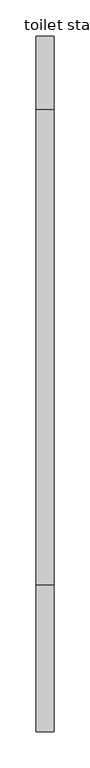
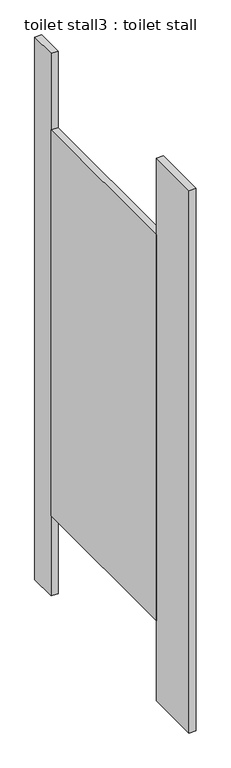
"""IFC4 building model written with IfcOpenShell, lengths in millimetres: proxy geometry, toilet stall3 : toilet stall."""

import ifcopenshell
import ifcopenshell.guid

model = None  # the IFC model being written
_history = None  # IfcOwnerHistory: only IFC2X3 demands one
_inside = {}  # id of a spatial element -> (the spatial element, [elements in it])
_under = {}  # id of a project, library or spatial element -> (it, [spatial elements below it])
_declared = {}  # id of a project -> (the project, [libraries it declares])
_typed = {}  # id of a type object -> (the type object, [elements of that type])
_made_of = {}  # id of a material, layer set ... -> (it, [elements and type objects made of it])


def new_model(schema):
    """Start an empty IFC model of exactly this schema.

    Asked for "IFC4X3", IfcOpenShell would pick the latest addendum, in which some entities
    have other attributes; the version numbers below select the first issue.
    IFC2X3 requires an IfcOwnerHistory on every rooted entity: one is made here for all.
    """
    global model, _history
    if schema == "IFC4X3":
        model = ifcopenshell.file(schema_version=(4, 3, 0, 0))
    else:
        model = ifcopenshell.file(schema=schema)
    _inside.clear()
    _under.clear()
    _declared.clear()
    _typed.clear()
    _made_of.clear()
    _history = None
    if model.schema == "IFC2X3":
        org = make("IfcOrganization", Name="unknown")
        user = make(
            "IfcPersonAndOrganization",
            ThePerson=make("IfcPerson", FamilyName="unknown"),
            TheOrganization=org,
        )
        app = make(
            "IfcApplication",
            ApplicationDeveloper=org,
            Version="unknown",
            ApplicationFullName="unknown",
            ApplicationIdentifier="unknown",
        )
        _history = make(
            "IfcOwnerHistory",
            OwningUser=user,
            OwningApplication=app,
            ChangeAction="ADDED",
            CreationDate=0,
        )
    return model


def make(cls, **values):
    """One entity of the class cls with the attributes given. An attribute that is None is left unset."""
    return model.create_entity(
        cls, **{name: value for name, value in values.items() if value is not None}
    )


def rooted(cls, **values):
    """An entity with a GlobalId (a new one), such as an element, a storey or a relation."""
    return make(cls, GlobalId=ifcopenshell.guid.new(), OwnerHistory=_history, **values)


def si_unit(unit_type, name, prefix=None):
    """IfcSIUnit, for example si_unit("LENGTHUNIT", "METRE", prefix="MILLI")."""
    return make("IfcSIUnit", UnitType=unit_type, Prefix=prefix, Name=name)


def assignment(units):
    """IfcUnitAssignment: the units of a project."""
    return None if units is None else make("IfcUnitAssignment", Units=units)


def point(xyz):
    """IfcCartesianPoint."""
    return None if xyz is None else make("IfcCartesianPoint", Coordinates=xyz)


def direction(xyz):
    """IfcDirection."""
    return None if xyz is None else make("IfcDirection", DirectionRatios=xyz)


def frame(location, z_axis=None, x_axis=None):
    """IfcAxis2Placement3D, a coordinate frame: its origin and axes. An axis left out is left unset."""
    return make(
        "IfcAxis2Placement3D",
        Location=point(location),
        Axis=direction(z_axis),
        RefDirection=direction(x_axis),
    )


def origin():
    """The frame at (0, 0, 0) with its axes left unset."""
    return frame((0.0, 0.0, 0.0))


def origin_with_axes():
    """The frame at (0, 0, 0) with the z axis (0, 0, 1) and the x axis (1, 0, 0) written out."""
    return frame((0.0, 0.0, 0.0), z_axis=(0.0, 0.0, 1.0), x_axis=(1.0, 0.0, 0.0))


def place(relative_to, where):
    """IfcLocalPlacement: puts the frame where relative to a parent placement (None: the world)."""
    return make(
        "IfcLocalPlacement", PlacementRelTo=relative_to, RelativePlacement=where
    )


def context(
    kind, dimensions, precision=None, world=None, true_north=None, identifier=None
):
    """IfcGeometricRepresentationContext, for example the 3D "Model" context."""
    return make(
        "IfcGeometricRepresentationContext",
        ContextIdentifier=identifier,
        ContextType=kind,
        CoordinateSpaceDimension=dimensions,
        Precision=precision,
        WorldCoordinateSystem=world,
        TrueNorth=true_north,
    )


def project(units=None, contexts=None):
    """IfcProject with its units and contexts."""
    return rooted(
        "IfcProject",
        Name="project",
        RepresentationContexts=contexts,
        UnitsInContext=assignment(units),
    )


def spatial(cls, under=None, at=None, **own):
    """A site, building, storey or space (cls), placed at a placement, below another one or the project."""
    s = rooted(cls, ObjectPlacement=at, **own)
    if under is not None:
        _under.setdefault(under.id(), (under, []))[1].append(s)
    return s


def polyline(points):
    """IfcPolyline through the points."""
    return make("IfcPolyline", Points=[point(p) for p in points])


def outline(outer, holes=None, kind="AREA"):
    """IfcArbitraryClosedProfileDef: a profile drawn as a closed curve; with holes, ...WithVoids."""
    if holes is None:
        return make("IfcArbitraryClosedProfileDef", ProfileType=kind, OuterCurve=outer)
    return make(
        "IfcArbitraryProfileDefWithVoids",
        ProfileType=kind,
        OuterCurve=outer,
        InnerCurves=holes,
    )


def extrude(swept, where, along, depth):
    """IfcExtrudedAreaSolid: the profile swept, set in the frame where, extruded along a direction by depth."""
    return make(
        "IfcExtrudedAreaSolid",
        SweptArea=swept,
        Position=where,
        ExtrudedDirection=direction(along),
        Depth=depth,
    )


def shape(context_of_items, identifier, shape_type, items):
    """IfcShapeRepresentation: the items that make up one representation, for example the "Body"."""
    return make(
        "IfcShapeRepresentation",
        ContextOfItems=context_of_items,
        RepresentationIdentifier=identifier,
        RepresentationType=shape_type,
        Items=items,
    )


def source(mapping_origin, context_of_items, identifier, shape_type, items):
    """IfcRepresentationMap: a shape defined once, which mapped items show again and again."""
    return make(
        "IfcRepresentationMap",
        MappingOrigin=mapping_origin,
        MappedRepresentation=shape(context_of_items, identifier, shape_type, items),
    )


def transform(
    local_origin,
    x_axis=None,
    y_axis=None,
    z_axis=None,
    scale=None,
    scale2=None,
    scale3=None,
    uniform=True,
):
    """IfcCartesianTransformationOperator3D, or its non-uniform kind. x_axis, y_axis, z_axis: its Axis1, 2, 3."""
    if uniform:
        return make(
            "IfcCartesianTransformationOperator3D",
            Axis1=direction(x_axis),
            Axis2=direction(y_axis),
            LocalOrigin=point(local_origin),
            Scale=scale,
            Axis3=direction(z_axis),
        )
    return make(
        "IfcCartesianTransformationOperator3DnonUniform",
        Axis1=direction(x_axis),
        Axis2=direction(y_axis),
        LocalOrigin=point(local_origin),
        Scale=scale,
        Axis3=direction(z_axis),
        Scale2=scale2,
        Scale3=scale3,
    )


def mapped(mapping_source, mapping_target):
    """IfcMappedItem: shows the shape of a source again, moved by a transform."""
    return make(
        "IfcMappedItem", MappingSource=mapping_source, MappingTarget=mapping_target
    )


def made_of(thing, what):
    """Note that an element or type object is made of a material, layer set ...; save() writes the relation."""
    if what is not None:
        _made_of.setdefault(what.id(), (what, []))[1].append(thing)
    return thing


def element(
    cls,
    number,
    at=None,
    inside=None,
    cuts=None,
    type_object=None,
    material=None,
    context=None,
    identifier="Body",
    shape_type=None,
    held_by="IfcProductDefinitionShape",
    body=None,
    shapes=None,
    **own,
):
    """One element of the class cls, such as IfcWall. Its Tag is "e" and its number.

    at: its placement. inside: the storey or other place that contains it. cuts: it is an
    opening in that element (IfcRelVoidsElement). A single representation is given by context,
    identifier, shape_type and body (its items); several are given by shapes. held_by: the class
    of the entity that holds the representations. save() writes the other relations.
    """
    e = rooted(cls, Tag="e%d" % number, ObjectPlacement=at, **own)
    if body is not None:
        shapes = [shape(context, identifier, shape_type, body)]
    if shapes is not None:
        e.Representation = make(held_by, Representations=shapes)
    if inside is not None:
        _inside.setdefault(inside.id(), (inside, []))[1].append(e)
    if cuts is not None:
        rooted(
            "IfcRelVoidsElement", RelatingBuildingElement=cuts, RelatedOpeningElement=e
        )
    if type_object is not None:
        _typed.setdefault(type_object.id(), (type_object, []))[1].append(e)
    return made_of(e, material)


def aggregate(whole, parts):
    """IfcRelAggregates: a whole, such as a stair, and the parts it consists of."""
    return rooted("IfcRelAggregates", RelatingObject=whole, RelatedObjects=parts)


def save(model, path):
    """Write the relations noted so far, then the file.

    IfcRelAggregates (storeys below a building ...), IfcRelContainedInSpatialStructure (elements
    in a storey), IfcRelDefinesByType, IfcRelAssociatesMaterial and IfcRelDeclares: one each for
    every whole, place, type object, material and project.
    """
    for whole, parts in _under.values():
        aggregate(whole, parts)
    for where, things in _inside.values():
        rooted(
            "IfcRelContainedInSpatialStructure",
            RelatedElements=things,
            RelatingStructure=where,
        )
    for kind, things in _typed.values():
        rooted("IfcRelDefinesByType", RelatedObjects=things, RelatingType=kind)
    for what, things in _made_of.values():
        rooted("IfcRelAssociatesMaterial", RelatedObjects=things, RelatingMaterial=what)
    for by, libraries in _declared.values():
        rooted("IfcRelDeclares", RelatingContext=by, RelatedDefinitions=libraries)
    model.write(path)


def toilet_stall3_toilet_stall_41e0ec8c(model_context):
    return source(origin(), model_context, "Body", "SweptSolid", [
        extrude(outline(polyline([(457706.2004676, -326616.2330223), (457706.2004676, -327276.6330223), (457680.8004676, -327276.6330223), (457680.8004676, -326616.2330223), (457706.2004676, -326616.2330223)])), frame((0.0, 0.0, 304.8), z_axis=(0.0, 0.0, 1.0), x_axis=(1.0, 0.0, 0.0)), (0.0, 0.0, 1.0), 1473.2),
        extrude(outline(polyline([(457706.2004676, -327276.6330223), (457706.2004676, -327479.8330223), (457680.8004676, -327479.8330223), (457680.8004676, -327276.6330223), (457706.2004676, -327276.6330223)])), origin_with_axes(), (0.0, 0.0, 1.0), 2070.1),
        extrude(outline(polyline([(457706.2004676, -326514.6330223), (457706.2004676, -326616.2330223), (457680.8004676, -326616.2330223), (457680.8004676, -326514.6330223), (457706.2004676, -326514.6330223)])), origin_with_axes(), (0.0, 0.0, 1.0), 2070.1),
    ])


if __name__ == "__main__":
    model = new_model("IFC4")
    model_context = context("Model", 3, world=origin())
    ifc_project = project(units=[si_unit("LENGTHUNIT", "METRE", prefix="MILLI")], contexts=[model_context])
    site = spatial("IfcSite", under=ifc_project)
    building = spatial("IfcBuilding", under=site)
    placement = place(None, origin())
    toilet_stall3_toilet_stall_shape = toilet_stall3_toilet_stall_41e0ec8c(model_context)
    element("IfcBuildingElementProxy", 1, Name="toilet stall3 : toilet stall", ObjectType="toilet stall3 : toilet stall", at=placement, inside=building, context=model_context, shape_type="MappedRepresentation", body=[
        mapped(toilet_stall3_toilet_stall_shape, transform((0.0, 0.0, 0.0), x_axis=(1.0, 0.0, 0.0), y_axis=(0.0, 1.0, 0.0), z_axis=(0.0, 0.0, 1.0))),
    ])
    save(model, "model.ifc")
